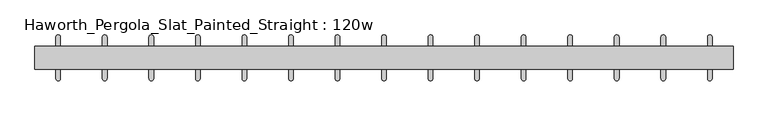
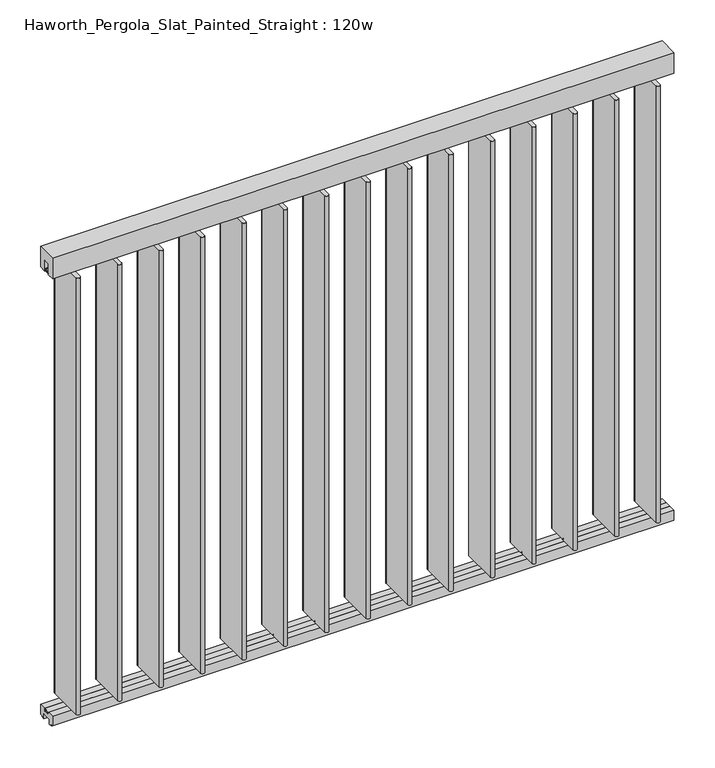
"""IFC4 building model written with IfcOpenShell, lengths in millimetres: furniture geometry, Haworth_Pergola_Slat_Painted_Straight : 120w."""

from ifc_helpers import new_model, si_unit, point, frame, frame_2d, origin, place, context, project, spatial, polyline, circle_curve, trimmed, segment, composite_curve, outline, extrude, source, transform, mapped, element, save


def haworth_pergola_slat_painted_straight_120w_ae537359(model_context):
    return source(origin(), model_context, "Body", "SweptSolid", [
        extrude(outline(composite_curve([segment(trimmed(circle_curve(frame_2d((1257.2999978, 0.0007403)), 6.0), [point((1253.0573571, 4.243381))], [point((1261.5426384, -4.2419004))], False, "CARTESIAN"), True, "CONTINUOUS"), segment(trimmed(circle_curve(frame_2d((1257.2999978, 0.0007403)), 6.0), [point((1261.5426384, -4.2419004))], [point((1253.0573571, 4.243381))], False, "CARTESIAN"), True, "CONTINUOUS")], self_intersect=False)), frame((0.0, 0.0, 2329.3585937), z_axis=(0.0, 0.0, 1.0), x_axis=(1.0, 0.0, 0.0)), (0.0, 0.0, 1.0), 4.9609375),
        extrude(outline(composite_curve([segment(trimmed(circle_curve(frame_2d((1257.2999978, 0.0007403)), 6.0), [point((1253.0573571, 4.243381))], [point((1261.5426384, -4.2419004))], False, "CARTESIAN"), True, "CONTINUOUS"), segment(trimmed(circle_curve(frame_2d((1257.2999978, 0.0007403)), 6.0), [point((1261.5426384, -4.2419004))], [point((1253.0573571, 4.243381))], False, "CARTESIAN"), True, "CONTINUOUS")], self_intersect=False)), frame((0.0, 0.0, 61.0195312), z_axis=(0.0, 0.0, 1.0), x_axis=(1.0, 0.0, 0.0)), (0.0, 0.0, 1.0), 4.9609375),
        extrude(outline(composite_curve([segment(polyline([(1267.2999989, 89.9836838), (1267.2999997, -90.0029328)]), True, "CONTINUOUS"), segment(trimmed(circle_curve(frame_2d((1257.2999976, -90.0029328)), 10.0000021), [point((1267.2999997, -90.0029328))], [point((1247.2999955, -90.0029325))], False, "CARTESIAN"), True, "CONTINUOUS"), segment(polyline([(1247.2999955, -90.0029325), (1247.3000009, 89.983684)]), True, "CONTINUOUS"), segment(trimmed(circle_curve(frame_2d((1257.2999999, 89.9836837)), 9.999999), [point((1247.3000009, 89.983684))], [point((1267.2999989, 89.9836838))], False, "CARTESIAN"), True, "CONTINUOUS")], self_intersect=False)), frame((0.0, 0.0, 65.9804687), z_axis=(0.0, 0.0, 1.0), x_axis=(1.0, 0.0, 0.0)), (0.0, 0.0, 1.0), 2263.378125),
        extrude(outline(composite_curve([segment(trimmed(circle_curve(frame_2d((1054.0999978, 0.0014806)), 6.0), [point((1049.8573571, 4.2441213))], [point((1058.3426384, -4.24116))], False, "CARTESIAN"), True, "CONTINUOUS"), segment(trimmed(circle_curve(frame_2d((1054.0999978, 0.0014806)), 6.0), [point((1058.3426384, -4.24116))], [point((1049.8573571, 4.2441213))], False, "CARTESIAN"), True, "CONTINUOUS")], self_intersect=False)), frame((0.0, 0.0, 2329.3585937), z_axis=(0.0, 0.0, 1.0), x_axis=(1.0, 0.0, 0.0)), (0.0, 0.0, 1.0), 4.9609375),
        extrude(outline(composite_curve([segment(trimmed(circle_curve(frame_2d((1054.0999978, 0.0014806)), 6.0), [point((1049.8573571, 4.2441213))], [point((1058.3426384, -4.24116))], False, "CARTESIAN"), True, "CONTINUOUS"), segment(trimmed(circle_curve(frame_2d((1054.0999978, 0.0014806)), 6.0), [point((1058.3426384, -4.24116))], [point((1049.8573571, 4.2441213))], False, "CARTESIAN"), True, "CONTINUOUS")], self_intersect=False)), frame((0.0, 0.0, 61.0195312), z_axis=(0.0, 0.0, 1.0), x_axis=(1.0, 0.0, 0.0)), (0.0, 0.0, 1.0), 4.9609375),
        extrude(outline(composite_curve([segment(polyline([(1064.0999989, 89.9844241), (1064.0999997, -90.0021924)]), True, "CONTINUOUS"), segment(trimmed(circle_curve(frame_2d((1054.0999976, -90.0021925)), 10.0000021), [point((1064.0999997, -90.0021924))], [point((1044.0999955, -90.0021922))], False, "CARTESIAN"), True, "CONTINUOUS"), segment(polyline([(1044.0999955, -90.0021922), (1044.1000009, 89.9844243)]), True, "CONTINUOUS"), segment(trimmed(circle_curve(frame_2d((1054.0999999, 89.984424)), 9.999999), [point((1044.1000009, 89.9844243))], [point((1064.0999989, 89.9844241))], False, "CARTESIAN"), True, "CONTINUOUS")], self_intersect=False)), frame((0.0, 0.0, 65.9804687), z_axis=(0.0, 0.0, 1.0), x_axis=(1.0, 0.0, 0.0)), (0.0, 0.0, 1.0), 2263.378125),
        extrude(outline(composite_curve([segment(trimmed(circle_curve(frame_2d((850.8999978, 0.002221)), 6.0), [point((846.6573571, 4.2448617))], [point((855.1426384, -4.2404197))], False, "CARTESIAN"), True, "CONTINUOUS"), segment(trimmed(circle_curve(frame_2d((850.8999978, 0.002221)), 6.0), [point((855.1426384, -4.2404197))], [point((846.6573571, 4.2448617))], False, "CARTESIAN"), True, "CONTINUOUS")], self_intersect=False)), frame((0.0, 0.0, 2329.3585937), z_axis=(0.0, 0.0, 1.0), x_axis=(1.0, 0.0, 0.0)), (0.0, 0.0, 1.0), 4.9609375),
        extrude(outline(composite_curve([segment(trimmed(circle_curve(frame_2d((850.8999978, 0.002221)), 6.0), [point((846.6573571, 4.2448617))], [point((855.1426384, -4.2404197))], False, "CARTESIAN"), True, "CONTINUOUS"), segment(trimmed(circle_curve(frame_2d((850.8999978, 0.002221)), 6.0), [point((855.1426384, -4.2404197))], [point((846.6573571, 4.2448617))], False, "CARTESIAN"), True, "CONTINUOUS")], self_intersect=False)), frame((0.0, 0.0, 61.0195312), z_axis=(0.0, 0.0, 1.0), x_axis=(1.0, 0.0, 0.0)), (0.0, 0.0, 1.0), 4.9609375),
        extrude(outline(composite_curve([segment(polyline([(860.8999989, 89.9851644), (860.8999997, -90.0014521)]), True, "CONTINUOUS"), segment(trimmed(circle_curve(frame_2d((850.8999976, -90.0014522)), 10.0000021), [point((860.8999997, -90.0014521))], [point((840.8999955, -90.0014518))], False, "CARTESIAN"), True, "CONTINUOUS"), segment(polyline([(840.8999955, -90.0014518), (840.9000009, 89.9851647)]), True, "CONTINUOUS"), segment(trimmed(circle_curve(frame_2d((850.8999999, 89.9851644)), 9.999999), [point((840.9000009, 89.9851647))], [point((860.8999989, 89.9851644))], False, "CARTESIAN"), True, "CONTINUOUS")], self_intersect=False)), frame((0.0, 0.0, 65.9804687), z_axis=(0.0, 0.0, 1.0), x_axis=(1.0, 0.0, 0.0)), (0.0, 0.0, 1.0), 2263.378125),
        extrude(outline(composite_curve([segment(trimmed(circle_curve(frame_2d((1460.4999978, 0.0)), 6.0), [point((1456.2573571, 4.2426407))], [point((1464.7426384, -4.2426407))], False, "CARTESIAN"), True, "CONTINUOUS"), segment(trimmed(circle_curve(frame_2d((1460.4999978, 0.0)), 6.0), [point((1464.7426384, -4.2426407))], [point((1456.2573571, 4.2426407))], False, "CARTESIAN"), True, "CONTINUOUS")], self_intersect=False)), frame((0.0, 0.0, 2329.3585937), z_axis=(0.0, 0.0, 1.0), x_axis=(1.0, 0.0, 0.0)), (0.0, 0.0, 1.0), 4.9609375),
        extrude(outline(composite_curve([segment(trimmed(circle_curve(frame_2d((1460.4999978, 0.0)), 6.0), [point((1456.2573571, 4.2426407))], [point((1464.7426384, -4.2426407))], False, "CARTESIAN"), True, "CONTINUOUS"), segment(trimmed(circle_curve(frame_2d((1460.4999978, 0.0)), 6.0), [point((1464.7426384, -4.2426407))], [point((1456.2573571, 4.2426407))], False, "CARTESIAN"), True, "CONTINUOUS")], self_intersect=False)), frame((0.0, 0.0, 61.0195312), z_axis=(0.0, 0.0, 1.0), x_axis=(1.0, 0.0, 0.0)), (0.0, 0.0, 1.0), 4.9609375),
        extrude(outline(composite_curve([segment(polyline([(1470.4999989, 89.9829434), (1470.4999997, -90.0036731)]), True, "CONTINUOUS"), segment(trimmed(circle_curve(frame_2d((1460.4999976, -90.0036731)), 10.0000021), [point((1470.4999997, -90.0036731))], [point((1450.4999955, -90.0036728))], False, "CARTESIAN"), True, "CONTINUOUS"), segment(polyline([(1450.4999955, -90.0036728), (1450.5000009, 89.9829437)]), True, "CONTINUOUS"), segment(trimmed(circle_curve(frame_2d((1460.4999999, 89.9829434)), 9.999999), [point((1450.5000009, 89.9829437))], [point((1470.4999989, 89.9829434))], False, "CARTESIAN"), True, "CONTINUOUS")], self_intersect=False)), frame((0.0, 0.0, 65.9804687), z_axis=(0.0, 0.0, 1.0), x_axis=(1.0, 0.0, 0.0)), (0.0, 0.0, 1.0), 2263.378125),
        extrude(outline(composite_curve([segment(trimmed(circle_curve(frame_2d((647.6999978, 0.0029613)), 6.0), [point((643.4573571, 4.245602))], [point((651.9426384, -4.2396794))], False, "CARTESIAN"), True, "CONTINUOUS"), segment(trimmed(circle_curve(frame_2d((647.6999978, 0.0029613)), 6.0), [point((651.9426384, -4.2396794))], [point((643.4573571, 4.245602))], False, "CARTESIAN"), True, "CONTINUOUS")], self_intersect=False)), frame((0.0, 0.0, 2329.3585937), z_axis=(0.0, 0.0, 1.0), x_axis=(1.0, 0.0, 0.0)), (0.0, 0.0, 1.0), 4.9609375),
        extrude(outline(composite_curve([segment(trimmed(circle_curve(frame_2d((647.6999978, 0.0029613)), 6.0), [point((643.4573571, 4.245602))], [point((651.9426384, -4.2396794))], False, "CARTESIAN"), True, "CONTINUOUS"), segment(trimmed(circle_curve(frame_2d((647.6999978, 0.0029613)), 6.0), [point((651.9426384, -4.2396794))], [point((643.4573571, 4.245602))], False, "CARTESIAN"), True, "CONTINUOUS")], self_intersect=False)), frame((0.0, 0.0, 61.0195312), z_axis=(0.0, 0.0, 1.0), x_axis=(1.0, 0.0, 0.0)), (0.0, 0.0, 1.0), 4.9609375),
        extrude(outline(composite_curve([segment(polyline([(657.6999989, 89.9859047), (657.6999997, -90.0007118)]), True, "CONTINUOUS"), segment(trimmed(circle_curve(frame_2d((647.6999976, -90.0007118)), 10.0000021), [point((657.6999997, -90.0007118))], [point((637.6999955, -90.0007115))], False, "CARTESIAN"), True, "CONTINUOUS"), segment(polyline([(637.6999955, -90.0007115), (637.7000009, 89.985905)]), True, "CONTINUOUS"), segment(trimmed(circle_curve(frame_2d((647.6999999, 89.9859047)), 9.999999), [point((637.7000009, 89.985905))], [point((657.6999989, 89.9859047))], False, "CARTESIAN"), True, "CONTINUOUS")], self_intersect=False)), frame((0.0, 0.0, 65.9804687), z_axis=(0.0, 0.0, 1.0), x_axis=(1.0, 0.0, 0.0)), (0.0, 0.0, 1.0), 2263.378125),
        extrude(outline(composite_curve([segment(trimmed(circle_curve(frame_2d((444.4999978, 0.0037016)), 6.0), [point((440.2573571, 4.2463423))], [point((448.7426384, -4.2389391))], False, "CARTESIAN"), True, "CONTINUOUS"), segment(trimmed(circle_curve(frame_2d((444.4999978, 0.0037016)), 6.0), [point((448.7426384, -4.2389391))], [point((440.2573571, 4.2463423))], False, "CARTESIAN"), True, "CONTINUOUS")], self_intersect=False)), frame((0.0, 0.0, 2329.3585937), z_axis=(0.0, 0.0, 1.0), x_axis=(1.0, 0.0, 0.0)), (0.0, 0.0, 1.0), 4.9609375),
        extrude(outline(composite_curve([segment(trimmed(circle_curve(frame_2d((444.4999978, 0.0037016)), 6.0), [point((440.2573571, 4.2463423))], [point((448.7426384, -4.2389391))], False, "CARTESIAN"), True, "CONTINUOUS"), segment(trimmed(circle_curve(frame_2d((444.4999978, 0.0037016)), 6.0), [point((448.7426384, -4.2389391))], [point((440.2573571, 4.2463423))], False, "CARTESIAN"), True, "CONTINUOUS")], self_intersect=False)), frame((0.0, 0.0, 61.0195312), z_axis=(0.0, 0.0, 1.0), x_axis=(1.0, 0.0, 0.0)), (0.0, 0.0, 1.0), 4.9609375),
        extrude(outline(composite_curve([segment(polyline([(454.4999989, 89.9866451), (454.4999997, -89.9999715)]), True, "CONTINUOUS"), segment(trimmed(circle_curve(frame_2d((444.4999976, -89.9999715)), 10.0000021), [point((454.4999997, -89.9999715))], [point((434.4999955, -89.9999712))], False, "CARTESIAN"), True, "CONTINUOUS"), segment(polyline([(434.4999955, -89.9999712), (434.5000009, 89.9866453)]), True, "CONTINUOUS"), segment(trimmed(circle_curve(frame_2d((444.4999999, 89.986645)), 9.999999), [point((434.5000009, 89.9866453))], [point((454.4999989, 89.9866451))], False, "CARTESIAN"), True, "CONTINUOUS")], self_intersect=False)), frame((0.0, 0.0, 65.9804687), z_axis=(0.0, 0.0, 1.0), x_axis=(1.0, 0.0, 0.0)), (0.0, 0.0, 1.0), 2263.378125),
        extrude(outline(composite_curve([segment(trimmed(circle_curve(frame_2d((241.2999978, 0.0044419)), 6.0), [point((237.0573571, 4.2470826))], [point((245.5426384, -4.2381987))], False, "CARTESIAN"), True, "CONTINUOUS"), segment(trimmed(circle_curve(frame_2d((241.2999978, 0.0044419)), 6.0), [point((245.5426384, -4.2381987))], [point((237.0573571, 4.2470826))], False, "CARTESIAN"), True, "CONTINUOUS")], self_intersect=False)), frame((0.0, 0.0, 2329.3585937), z_axis=(0.0, 0.0, 1.0), x_axis=(1.0, 0.0, 0.0)), (0.0, 0.0, 1.0), 4.9609375),
        extrude(outline(composite_curve([segment(trimmed(circle_curve(frame_2d((241.2999978, 0.0044419)), 6.0), [point((237.0573571, 4.2470826))], [point((245.5426384, -4.2381987))], False, "CARTESIAN"), True, "CONTINUOUS"), segment(trimmed(circle_curve(frame_2d((241.2999978, 0.0044419)), 6.0), [point((245.5426384, -4.2381987))], [point((237.0573571, 4.2470826))], False, "CARTESIAN"), True, "CONTINUOUS")], self_intersect=False)), frame((0.0, 0.0, 61.0195312), z_axis=(0.0, 0.0, 1.0), x_axis=(1.0, 0.0, 0.0)), (0.0, 0.0, 1.0), 4.9609375),
        extrude(outline(composite_curve([segment(polyline([(251.2999989, 89.9873854), (251.2999997, -89.9992311)]), True, "CONTINUOUS"), segment(trimmed(circle_curve(frame_2d((241.2999976, -89.9992312)), 10.0000021), [point((251.2999997, -89.9992311))], [point((231.2999955, -89.9992309))], False, "CARTESIAN"), True, "CONTINUOUS"), segment(polyline([(231.2999955, -89.9992309), (231.3000009, 89.9873856)]), True, "CONTINUOUS"), segment(trimmed(circle_curve(frame_2d((241.2999999, 89.9873853)), 9.999999), [point((231.3000009, 89.9873856))], [point((251.2999989, 89.9873854))], False, "CARTESIAN"), True, "CONTINUOUS")], self_intersect=False)), frame((0.0, 0.0, 65.9804687), z_axis=(0.0, 0.0, 1.0), x_axis=(1.0, 0.0, 0.0)), (0.0, 0.0, 1.0), 2263.378125),
        extrude(outline(composite_curve([segment(trimmed(circle_curve(frame_2d((38.0999978, 0.0051823)), 6.0), [point((33.8573571, 4.247823))], [point((42.3426384, -4.2374584))], False, "CARTESIAN"), True, "CONTINUOUS"), segment(trimmed(circle_curve(frame_2d((38.0999978, 0.0051823)), 6.0), [point((42.3426384, -4.2374584))], [point((33.8573571, 4.247823))], False, "CARTESIAN"), True, "CONTINUOUS")], self_intersect=False)), frame((0.0, 0.0, 2329.3585937), z_axis=(0.0, 0.0, 1.0), x_axis=(1.0, 0.0, 0.0)), (0.0, 0.0, 1.0), 4.9609375),
        extrude(outline(composite_curve([segment(trimmed(circle_curve(frame_2d((38.0999978, 0.0051823)), 6.0), [point((33.8573571, 4.247823))], [point((42.3426384, -4.2374584))], False, "CARTESIAN"), True, "CONTINUOUS"), segment(trimmed(circle_curve(frame_2d((38.0999978, 0.0051823)), 6.0), [point((42.3426384, -4.2374584))], [point((33.8573571, 4.247823))], False, "CARTESIAN"), True, "CONTINUOUS")], self_intersect=False)), frame((0.0, 0.0, 61.0195312), z_axis=(0.0, 0.0, 1.0), x_axis=(1.0, 0.0, 0.0)), (0.0, 0.0, 1.0), 4.9609375),
        extrude(outline(composite_curve([segment(polyline([(48.0999989, 89.9881257), (48.0999997, -89.9984908)]), True, "CONTINUOUS"), segment(trimmed(circle_curve(frame_2d((38.0999976, -89.9984908)), 10.0000021), [point((48.0999997, -89.9984908))], [point((28.0999955, -89.9984905))], False, "CARTESIAN"), True, "CONTINUOUS"), segment(polyline([(28.0999955, -89.9984905), (28.1000009, 89.988126)]), True, "CONTINUOUS"), segment(trimmed(circle_curve(frame_2d((38.0999999, 89.9881257)), 9.999999), [point((28.1000009, 89.988126))], [point((48.0999989, 89.9881257))], False, "CARTESIAN"), True, "CONTINUOUS")], self_intersect=False)), frame((0.0, 0.0, 65.9804687), z_axis=(0.0, 0.0, 1.0), x_axis=(1.0, 0.0, 0.0)), (0.0, 0.0, 1.0), 2263.378125),
        extrude(outline(composite_curve([segment(trimmed(circle_curve(frame_2d((-165.1000022, 0.0059226)), 6.0), [point((-169.3426429, 4.2485633))], [point((-160.8573616, -4.2367181))], False, "CARTESIAN"), True, "CONTINUOUS"), segment(trimmed(circle_curve(frame_2d((-165.1000022, 0.0059226)), 6.0), [point((-160.8573616, -4.2367181))], [point((-169.3426429, 4.2485633))], False, "CARTESIAN"), True, "CONTINUOUS")], self_intersect=False)), frame((0.0, 0.0, 2329.3585937), z_axis=(0.0, 0.0, 1.0), x_axis=(1.0, 0.0, 0.0)), (0.0, 0.0, 1.0), 4.9609375),
        extrude(outline(composite_curve([segment(trimmed(circle_curve(frame_2d((-165.1000022, 0.0059226)), 6.0), [point((-169.3426429, 4.2485633))], [point((-160.8573616, -4.2367181))], False, "CARTESIAN"), True, "CONTINUOUS"), segment(trimmed(circle_curve(frame_2d((-165.1000022, 0.0059226)), 6.0), [point((-160.8573616, -4.2367181))], [point((-169.3426429, 4.2485633))], False, "CARTESIAN"), True, "CONTINUOUS")], self_intersect=False)), frame((0.0, 0.0, 61.0195312), z_axis=(0.0, 0.0, 1.0), x_axis=(1.0, 0.0, 0.0)), (0.0, 0.0, 1.0), 4.9609375),
        extrude(outline(composite_curve([segment(polyline([(-155.1000011, 89.988866), (-155.1000003, -89.9977505)]), True, "CONTINUOUS"), segment(trimmed(circle_curve(frame_2d((-165.1000024, -89.9977505)), 10.0000021), [point((-155.1000003, -89.9977505))], [point((-175.1000045, -89.9977502))], False, "CARTESIAN"), True, "CONTINUOUS"), segment(polyline([(-175.1000045, -89.9977502), (-175.0999991, 89.9888663)]), True, "CONTINUOUS"), segment(trimmed(circle_curve(frame_2d((-165.1000001, 89.988866)), 9.999999), [point((-175.0999991, 89.9888663))], [point((-155.1000011, 89.988866))], False, "CARTESIAN"), True, "CONTINUOUS")], self_intersect=False)), frame((0.0, 0.0, 65.9804687), z_axis=(0.0, 0.0, 1.0), x_axis=(1.0, 0.0, 0.0)), (0.0, 0.0, 1.0), 2263.378125),
        extrude(outline(composite_curve([segment(trimmed(circle_curve(frame_2d((-368.3000022, 0.0066629)), 6.0), [point((-372.5426429, 4.2493036))], [point((-364.0573616, -4.2359778))], False, "CARTESIAN"), True, "CONTINUOUS"), segment(trimmed(circle_curve(frame_2d((-368.3000022, 0.0066629)), 6.0), [point((-364.0573616, -4.2359778))], [point((-372.5426429, 4.2493036))], False, "CARTESIAN"), True, "CONTINUOUS")], self_intersect=False)), frame((0.0, 0.0, 2329.3585937), z_axis=(0.0, 0.0, 1.0), x_axis=(1.0, 0.0, 0.0)), (0.0, 0.0, 1.0), 4.9609375),
        extrude(outline(composite_curve([segment(trimmed(circle_curve(frame_2d((-368.3000022, 0.0066629)), 6.0), [point((-372.5426429, 4.2493036))], [point((-364.0573616, -4.2359778))], False, "CARTESIAN"), True, "CONTINUOUS"), segment(trimmed(circle_curve(frame_2d((-368.3000022, 0.0066629)), 6.0), [point((-364.0573616, -4.2359778))], [point((-372.5426429, 4.2493036))], False, "CARTESIAN"), True, "CONTINUOUS")], self_intersect=False)), frame((0.0, 0.0, 61.0195312), z_axis=(0.0, 0.0, 1.0), x_axis=(1.0, 0.0, 0.0)), (0.0, 0.0, 1.0), 4.9609375),
        extrude(outline(composite_curve([segment(polyline([(-358.3000011, 89.9896064), (-358.3000003, -89.9970101)]), True, "CONTINUOUS"), segment(trimmed(circle_curve(frame_2d((-368.3000024, -89.9970102)), 10.0000021), [point((-358.3000003, -89.9970101))], [point((-378.3000045, -89.9970099))], False, "CARTESIAN"), True, "CONTINUOUS"), segment(polyline([(-378.3000045, -89.9970099), (-378.2999991, 89.9896066)]), True, "CONTINUOUS"), segment(trimmed(circle_curve(frame_2d((-368.3000001, 89.9896063)), 9.999999), [point((-378.2999991, 89.9896066))], [point((-358.3000011, 89.9896064))], False, "CARTESIAN"), True, "CONTINUOUS")], self_intersect=False)), frame((0.0, 0.0, 65.9804687), z_axis=(0.0, 0.0, 1.0), x_axis=(1.0, 0.0, 0.0)), (0.0, 0.0, 1.0), 2263.378125),
        extrude(outline(composite_curve([segment(trimmed(circle_curve(frame_2d((-571.5000022, 0.0074033)), 6.0), [point((-575.7426429, 4.2500439))], [point((-567.2573616, -4.2352374))], False, "CARTESIAN"), True, "CONTINUOUS"), segment(trimmed(circle_curve(frame_2d((-571.5000022, 0.0074033)), 6.0), [point((-567.2573616, -4.2352374))], [point((-575.7426429, 4.2500439))], False, "CARTESIAN"), True, "CONTINUOUS")], self_intersect=False)), frame((0.0, 0.0, 2329.3585937), z_axis=(0.0, 0.0, 1.0), x_axis=(1.0, 0.0, 0.0)), (0.0, 0.0, 1.0), 4.9609375),
        extrude(outline(composite_curve([segment(trimmed(circle_curve(frame_2d((-571.5000022, 0.0074033)), 6.0), [point((-575.7426429, 4.2500439))], [point((-567.2573616, -4.2352374))], False, "CARTESIAN"), True, "CONTINUOUS"), segment(trimmed(circle_curve(frame_2d((-571.5000022, 0.0074033)), 6.0), [point((-567.2573616, -4.2352374))], [point((-575.7426429, 4.2500439))], False, "CARTESIAN"), True, "CONTINUOUS")], self_intersect=False)), frame((0.0, 0.0, 61.0195312), z_axis=(0.0, 0.0, 1.0), x_axis=(1.0, 0.0, 0.0)), (0.0, 0.0, 1.0), 4.9609375),
        extrude(outline(composite_curve([segment(polyline([(-561.5000011, 89.9903467), (-561.5000003, -89.9962698)]), True, "CONTINUOUS"), segment(trimmed(circle_curve(frame_2d((-571.5000024, -89.9962699)), 10.0000021), [point((-561.5000003, -89.9962698))], [point((-581.5000045, -89.9962696))], False, "CARTESIAN"), True, "CONTINUOUS"), segment(polyline([(-581.5000045, -89.9962696), (-581.4999991, 89.990347)]), True, "CONTINUOUS"), segment(trimmed(circle_curve(frame_2d((-571.5000001, 89.9903467)), 9.999999), [point((-581.4999991, 89.990347))], [point((-561.5000011, 89.9903467))], False, "CARTESIAN"), True, "CONTINUOUS")], self_intersect=False)), frame((0.0, 0.0, 65.9804687), z_axis=(0.0, 0.0, 1.0), x_axis=(1.0, 0.0, 0.0)), (0.0, 0.0, 1.0), 2263.378125),
        extrude(outline(composite_curve([segment(trimmed(circle_curve(frame_2d((-774.7000022, 0.0081436)), 6.0), [point((-778.9426429, 4.2507843))], [point((-770.4573616, -4.2344971))], False, "CARTESIAN"), True, "CONTINUOUS"), segment(trimmed(circle_curve(frame_2d((-774.7000022, 0.0081436)), 6.0), [point((-770.4573616, -4.2344971))], [point((-778.9426429, 4.2507843))], False, "CARTESIAN"), True, "CONTINUOUS")], self_intersect=False)), frame((0.0, 0.0, 2329.3585937), z_axis=(0.0, 0.0, 1.0), x_axis=(1.0, 0.0, 0.0)), (0.0, 0.0, 1.0), 4.9609375),
        extrude(outline(composite_curve([segment(trimmed(circle_curve(frame_2d((-774.7000022, 0.0081436)), 6.0), [point((-778.9426429, 4.2507843))], [point((-770.4573616, -4.2344971))], False, "CARTESIAN"), True, "CONTINUOUS"), segment(trimmed(circle_curve(frame_2d((-774.7000022, 0.0081436)), 6.0), [point((-770.4573616, -4.2344971))], [point((-778.9426429, 4.2507843))], False, "CARTESIAN"), True, "CONTINUOUS")], self_intersect=False)), frame((0.0, 0.0, 61.0195312), z_axis=(0.0, 0.0, 1.0), x_axis=(1.0, 0.0, 0.0)), (0.0, 0.0, 1.0), 4.9609375),
        extrude(outline(composite_curve([segment(polyline([(-764.7000011, 89.991087), (-764.7000003, -89.9955295)]), True, "CONTINUOUS"), segment(trimmed(circle_curve(frame_2d((-774.7000024, -89.9955295)), 10.0000021), [point((-764.7000003, -89.9955295))], [point((-784.7000045, -89.9955292))], False, "CARTESIAN"), True, "CONTINUOUS"), segment(polyline([(-784.7000045, -89.9955292), (-784.6999991, 89.9910873)]), True, "CONTINUOUS"), segment(trimmed(circle_curve(frame_2d((-774.7000001, 89.991087)), 9.999999), [point((-784.6999991, 89.9910873))], [point((-764.7000011, 89.991087))], False, "CARTESIAN"), True, "CONTINUOUS")], self_intersect=False)), frame((0.0, 0.0, 65.9804687), z_axis=(0.0, 0.0, 1.0), x_axis=(1.0, 0.0, 0.0)), (0.0, 0.0, 1.0), 2263.378125),
        extrude(outline(composite_curve([segment(trimmed(circle_curve(frame_2d((-977.9000022, 0.0088839)), 6.0), [point((-982.1426429, 4.2515246))], [point((-973.6573616, -4.2337568))], False, "CARTESIAN"), True, "CONTINUOUS"), segment(trimmed(circle_curve(frame_2d((-977.9000022, 0.0088839)), 6.0), [point((-973.6573616, -4.2337568))], [point((-982.1426429, 4.2515246))], False, "CARTESIAN"), True, "CONTINUOUS")], self_intersect=False)), frame((0.0, 0.0, 2329.3585937), z_axis=(0.0, 0.0, 1.0), x_axis=(1.0, 0.0, 0.0)), (0.0, 0.0, 1.0), 4.9609375),
        extrude(outline(composite_curve([segment(trimmed(circle_curve(frame_2d((-977.9000022, 0.0088839)), 6.0), [point((-982.1426429, 4.2515246))], [point((-973.6573616, -4.2337568))], False, "CARTESIAN"), True, "CONTINUOUS"), segment(trimmed(circle_curve(frame_2d((-977.9000022, 0.0088839)), 6.0), [point((-973.6573616, -4.2337568))], [point((-982.1426429, 4.2515246))], False, "CARTESIAN"), True, "CONTINUOUS")], self_intersect=False)), frame((0.0, 0.0, 61.0195312), z_axis=(0.0, 0.0, 1.0), x_axis=(1.0, 0.0, 0.0)), (0.0, 0.0, 1.0), 4.9609375),
        extrude(outline(composite_curve([segment(polyline([(-967.9000011, 89.9918274), (-967.9000003, -89.9947892)]), True, "CONTINUOUS"), segment(trimmed(circle_curve(frame_2d((-977.9000024, -89.9947892)), 10.0000021), [point((-967.9000003, -89.9947892))], [point((-987.9000045, -89.9947889))], False, "CARTESIAN"), True, "CONTINUOUS"), segment(polyline([(-987.9000045, -89.9947889), (-987.8999991, 89.9918276)]), True, "CONTINUOUS"), segment(trimmed(circle_curve(frame_2d((-977.9000001, 89.9918273)), 9.999999), [point((-987.8999991, 89.9918276))], [point((-967.9000011, 89.9918274))], False, "CARTESIAN"), True, "CONTINUOUS")], self_intersect=False)), frame((0.0, 0.0, 65.9804687), z_axis=(0.0, 0.0, 1.0), x_axis=(1.0, 0.0, 0.0)), (0.0, 0.0, 1.0), 2263.378125),
        extrude(outline(composite_curve([segment(trimmed(circle_curve(frame_2d((-1181.1000022, 0.0096242)), 6.0), [point((-1185.3426429, 4.2522649))], [point((-1176.8573616, -4.2330165))], False, "CARTESIAN"), True, "CONTINUOUS"), segment(trimmed(circle_curve(frame_2d((-1181.1000022, 0.0096242)), 6.0), [point((-1176.8573616, -4.2330165))], [point((-1185.3426429, 4.2522649))], False, "CARTESIAN"), True, "CONTINUOUS")], self_intersect=False)), frame((0.0, 0.0, 2329.3585937), z_axis=(0.0, 0.0, 1.0), x_axis=(1.0, 0.0, 0.0)), (0.0, 0.0, 1.0), 4.9609375),
        extrude(outline(composite_curve([segment(trimmed(circle_curve(frame_2d((-1181.1000022, 0.0096242)), 6.0), [point((-1185.3426429, 4.2522649))], [point((-1176.8573616, -4.2330165))], False, "CARTESIAN"), True, "CONTINUOUS"), segment(trimmed(circle_curve(frame_2d((-1181.1000022, 0.0096242)), 6.0), [point((-1176.8573616, -4.2330165))], [point((-1185.3426429, 4.2522649))], False, "CARTESIAN"), True, "CONTINUOUS")], self_intersect=False)), frame((0.0, 0.0, 61.0195312), z_axis=(0.0, 0.0, 1.0), x_axis=(1.0, 0.0, 0.0)), (0.0, 0.0, 1.0), 4.9609375),
        extrude(outline(composite_curve([segment(polyline([(-1171.1000011, 89.9925677), (-1171.1000003, -89.9940488)]), True, "CONTINUOUS"), segment(trimmed(circle_curve(frame_2d((-1181.1000024, -89.9940489)), 10.0000021), [point((-1171.1000003, -89.9940488))], [point((-1191.1000045, -89.9940486))], False, "CARTESIAN"), True, "CONTINUOUS"), segment(polyline([(-1191.1000045, -89.9940486), (-1191.0999991, 89.9925679)]), True, "CONTINUOUS"), segment(trimmed(circle_curve(frame_2d((-1181.1000001, 89.9925676)), 9.999999), [point((-1191.0999991, 89.9925679))], [point((-1171.1000011, 89.9925677))], False, "CARTESIAN"), True, "CONTINUOUS")], self_intersect=False)), frame((0.0, 0.0, 65.9804687), z_axis=(0.0, 0.0, 1.0), x_axis=(1.0, 0.0, 0.0)), (0.0, 0.0, 1.0), 2263.378125),
        extrude(outline(composite_curve([segment(trimmed(circle_curve(frame_2d((-1384.3000022, 0.0103646)), 6.0), [point((-1388.5426429, 4.2530052))], [point((-1380.0573616, -4.2322761))], False, "CARTESIAN"), True, "CONTINUOUS"), segment(trimmed(circle_curve(frame_2d((-1384.3000022, 0.0103646)), 6.0), [point((-1380.0573616, -4.2322761))], [point((-1388.5426429, 4.2530052))], False, "CARTESIAN"), True, "CONTINUOUS")], self_intersect=False)), frame((0.0, 0.0, 2329.3585937), z_axis=(0.0, 0.0, 1.0), x_axis=(1.0, 0.0, 0.0)), (0.0, 0.0, 1.0), 4.9609375),
        extrude(outline(composite_curve([segment(trimmed(circle_curve(frame_2d((-1384.3000022, 0.0103646)), 6.0), [point((-1388.5426429, 4.2530052))], [point((-1380.0573616, -4.2322761))], False, "CARTESIAN"), True, "CONTINUOUS"), segment(trimmed(circle_curve(frame_2d((-1384.3000022, 0.0103646)), 6.0), [point((-1380.0573616, -4.2322761))], [point((-1388.5426429, 4.2530052))], False, "CARTESIAN"), True, "CONTINUOUS")], self_intersect=False)), frame((0.0, 0.0, 61.0195312), z_axis=(0.0, 0.0, 1.0), x_axis=(1.0, 0.0, 0.0)), (0.0, 0.0, 1.0), 4.9609375),
        extrude(outline(composite_curve([segment(polyline([(-1374.3000011, 89.993308), (-1374.3000003, -89.9933085)]), True, "CONTINUOUS"), segment(trimmed(circle_curve(frame_2d((-1384.3000024, -89.9933086)), 10.0000021), [point((-1374.3000003, -89.9933085))], [point((-1394.3000045, -89.9933083))], False, "CARTESIAN"), True, "CONTINUOUS"), segment(polyline([(-1394.3000045, -89.9933083), (-1394.2999991, 89.9933083)]), True, "CONTINUOUS"), segment(trimmed(circle_curve(frame_2d((-1384.3000001, 89.993308)), 9.999999), [point((-1394.2999991, 89.9933083))], [point((-1374.3000011, 89.993308))], False, "CARTESIAN"), True, "CONTINUOUS")], self_intersect=False)), frame((0.0, 0.0, 65.9804687), z_axis=(0.0, 0.0, 1.0), x_axis=(1.0, 0.0, 0.0)), (0.0, 0.0, 1.0), 2263.378125),
        extrude(outline(polyline([(-50.8, 2438.4), (50.8, 2438.4), (50.8, 2331.8390625), (15.2182948, 2331.8390625), (15.2182948, 2388.7001663), (-15.2182948, 2388.7001663), (-15.2182948, 2331.8390625), (-50.8, 2331.8390625), (-50.8, 2438.4)])), frame((-1485.9, 0.0, 0.0), z_axis=(1.0, 0.0, 0.0), x_axis=(0.0, 1.0, 0.0)), (0.0, 0.0, 1.0), 3048.0),
        extrude(outline(polyline([(-7.8249998, 61.7499993), (-15.2249995, 61.7499993), (-15.2249995, 63.5), (15.2249996, 63.5), (15.2249996, 61.7499999), (13.3999997, 61.7499999), (13.3999997, 50.2499995), (11.8250005, 50.2499995), (11.8250005, 61.7499993), (-4.8250001, 61.7499993), (-4.8250001, 50.0999996), (-7.8249998, 50.0999996), (-7.8249998, 61.7499993)])), frame((-1485.9, 0.0, 0.0), z_axis=(1.0, 0.0, 0.0), x_axis=(0.0, 1.0, 0.0)), (0.0, 0.0, 1.0), 3048.0),
        extrude(outline(polyline([(-16.2000002, 63.5), (-16.5085717, 61.7499999), (-13.3999996, 61.7499999), (-13.3999996, 58.8973461), (-15.4000002, 59.2499999), (-15.4000002, 48.3500004), (15.4000003, 48.3500004), (15.4000003, 59.2499999), (13.3999997, 58.8973461), (13.3999997, 61.7499999), (16.5085718, 61.7499999), (16.2000003, 63.5), (50.0000004, 63.5), (50.0000004, 12.6999985), (40.9499987, 12.6999985), (38.9499981, 10.6999979), (28.9499999, 10.6999979), (28.9499999, 7.6999994), (38.9499981, 7.6999994), (38.9499981, 5.6999988), (23.7499993, 5.6999988), (23.7499993, 31.4500009), (-23.7499992, 31.4500009), (-23.7499992, 5.6999988), (-38.949998, 5.6999988), (-38.949998, 7.6999994), (-28.9499998, 7.6999994), (-28.9499998, 10.6999979), (-38.949998, 10.6999979), (-40.9499986, 12.6999985), (-50.0000003, 12.6999985), (-50.0000003, 63.5), (-16.2000002, 63.5)])), frame((-1485.9, 0.0, 0.0), z_axis=(1.0, 0.0, 0.0), x_axis=(0.0, 1.0, 0.0)), (0.0, 0.0, 1.0), 3048.0),
        extrude(outline(polyline([(7.8249999, 2338.5500385), (15.2249996, 2338.5500385), (15.2249996, 2336.8), (-15.2249995, 2336.8), (-15.2249995, 2338.5500385), (-13.3999996, 2338.5500385), (-13.3999996, 2350.0500633), (-11.8249992, 2350.0500633), (-11.8250004, 2338.5500385), (4.8250002, 2338.5500385), (4.8250002, 2350.2000542), (7.8250005, 2350.2000542), (7.8249999, 2338.5500385)])), frame((-1485.9, 0.0, 0.0), z_axis=(1.0, 0.0, 0.0), x_axis=(0.0, 1.0, 0.0)), (0.0, 0.0, 1.0), 3048.0),
        extrude(outline(composite_curve([segment(trimmed(circle_curve(frame_2d((38.1000001, 1e-07)), 6.0), [point((32.1000001, 1e-07))], [point((44.1000001, 1e-07))], False, "CARTESIAN"), True, "CONTINUOUS"), segment(trimmed(circle_curve(frame_2d((38.1000001, 1e-07)), 6.0), [point((44.1000001, 1e-07))], [point((32.1000001, 1e-07))], False, "CARTESIAN"), True, "CONTINUOUS")], self_intersect=False)), frame((0.0, 0.0, 2319.1390625), z_axis=(0.0, 0.0, 1.0), x_axis=(1.0, 0.0, 0.0)), (0.0, 0.0, 1.0), 17.6609375),
        extrude(outline(composite_curve([segment(trimmed(circle_curve(frame_2d((38.1000001, 1e-07)), 6.0), [point((32.1000001, 1e-07))], [point((44.1000001, 1e-07))], False, "CARTESIAN"), True, "CONTINUOUS"), segment(trimmed(circle_curve(frame_2d((38.1000001, 1e-07)), 6.0), [point((44.1000001, 1e-07))], [point((32.1000001, 1e-07))], False, "CARTESIAN"), True, "CONTINUOUS")], self_intersect=False)), frame((0.0, 0.0, 55.7609375), z_axis=(0.0, 0.0, 1.0), x_axis=(1.0, 0.0, 0.0)), (0.0, 0.0, 1.0), 7.7390625),
    ])


if __name__ == "__main__":
    model = new_model("IFC4")
    model_context = context("Model", 3, world=origin())
    ifc_project = project(units=[si_unit("LENGTHUNIT", "METRE", prefix="MILLI")], contexts=[model_context])
    site = spatial("IfcSite", under=ifc_project)
    building = spatial("IfcBuilding", under=site)
    placement = place(None, origin())
    haworth_pergola_slat_painted_straight_120w_shape = haworth_pergola_slat_painted_straight_120w_ae537359(model_context)
    element("IfcFurniture", 1, ObjectType="Haworth_Pergola_Slat_Painted_Straight : 120w", at=placement, inside=building, context=model_context, shape_type="MappedRepresentation", body=[
        mapped(haworth_pergola_slat_painted_straight_120w_shape, transform((0.0, 0.0, 0.0), x_axis=(1.0, 0.0, 0.0), y_axis=(0.0, 1.0, 0.0), z_axis=(0.0, 0.0, 1.0))),
    ])
    save(model, "model.ifc")
